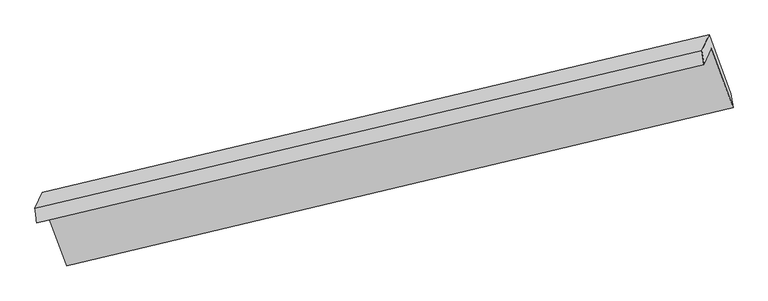
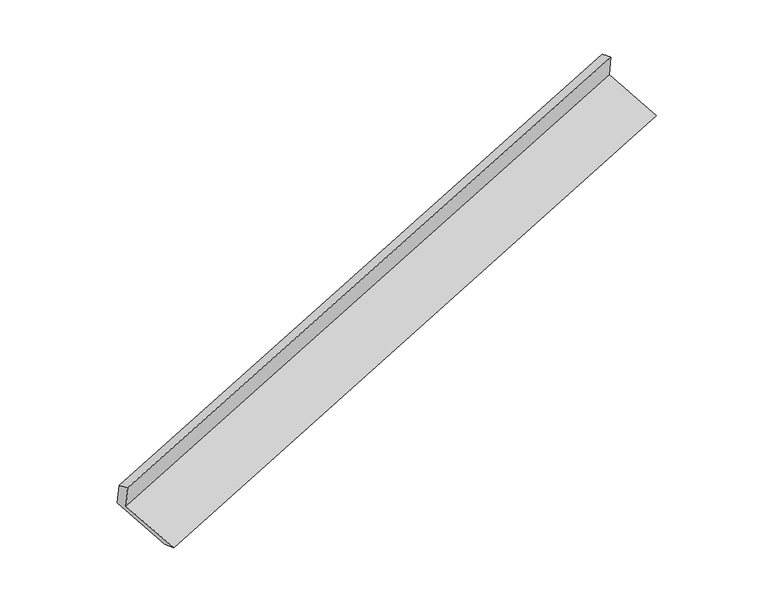
"""IFC4 building model written with IfcOpenShell, lengths in millimetres: proxy geometry."""

from ifc_helpers import new_model, si_unit, frame, origin, place, context, project, spatial, source, transform, mapped, element, save
from ifc_brep_helpers import plane_surface, spline_surface, advanced_brep


def generic_models_e810a2a3(model_context):
    return source(origin(), model_context, "Body", "AdvancedBrep", [
        advanced_brep(
        [(-6273.1048006, -2271.6076779, 1201.8904442), (-6196.7223142, -2102.8249453, 842.5327626), (401.1632155, -541.8679259, 2966.8298495), (328.5592189, -702.3013122, 3308.4108207), (-6291.0512888, -2128.2567671, 1151.1544787), (307.7788634, -565.2124111, 3271.007388), (-6219.0259931, -1969.1021388, 812.2961289), (378.8595366, -408.1451194, 2936.5932158), (-6001.1096766, -2561.5936271, 580.3340849), (593.5357621, -991.8271417, 2708.0801019), (-5977.879562, -2697.8353145, 609.5845698), (616.7658766, -1128.0688292, 2737.3305868)],
        [
            (0, 1),
            (1, 2),
            (2, 3),
            (3, 0),
            (4, 0),
            (3, 5),
            (5, 4),
            (6, 4),
            (5, 7),
            (7, 6),
            (8, 6),
            (7, 9),
            (9, 8),
            (10, 8),
            (9, 11),
            (11, 10),
            (1, 10),
            (11, 2),
        ],
        [
            plane_surface(frame((-6234.9135574, -2187.2163116, 1022.2116034), z_axis=(0.3200920885347228, -0.8818796250925951, -0.3461638076171787), x_axis=(0.1889244900929436, 0.41746731749288446, -0.8888355167681007))),
            spline_surface(1, 1, [[(-6291.0512888, -2128.2567671, 1151.1544787), (307.7788634, -565.2124111, 3271.007388)], [(-6273.1048006, -2271.6076779, 1201.8904442), (328.5592189, -702.3013122, 3308.4108207)]], [2, 2], [2, 2], [0.0, 1.0], [0.0, 1.0]),
            plane_surface(frame((-6255.038641, -2048.6794529, 981.7253038), z_axis=(-0.32009208853472315, 0.8818796250925952, 0.34616380761717874), x_axis=(-0.1889244900929436, -0.4174673174928845, 0.8888355167681007))),
            plane_surface(frame((-6110.0678348, -2265.3478829, 696.3151069), z_axis=(0.18761958269164986, 0.41715327499871113, -0.8892592632907803), x_axis=(-0.32400910664081006, 0.8809465985238052, 0.34489301147335805))),
            plane_surface(frame((-5989.4946193, -2629.7144708, 594.9593273), z_axis=(0.3345611139627422, -0.14293772406330904, -0.9314707016667838), x_axis=(-0.16443847261410247, 0.9644108709468122, -0.20705472881330733))),
            plane_surface(frame((-6087.3009381, -2400.3301299, 726.0586662), z_axis=(-0.18761958269164875, -0.41715327499871246, 0.8892592632907796), x_axis=(0.32400910664080823, -0.8809465985238049, -0.3448930114733603))),
            plane_surface(frame((437.7770789, -722.9037899, 2988.0419938), z_axis=(0.9269981854658323, 0.22283206540943112, 0.301695599517828), x_axis=(-0.32400910664081006, 0.8809465985238052, 0.34489301147335805))),
            plane_surface(frame((-6159.8156059, -2288.5367451, 866.2987448), z_axis=(-0.9269981854658274, -0.22283206540944564, -0.301695599517832), x_axis=(-0.1889244900929422, -0.4174673174928841, 0.8888355167681011))),
        ],
        [
            (0, [[1, 2, 3, 4]]),
            (1, [[5, -4, 6, 7]]),
            (2, [[8, -7, 9, 10]]),
            (3, [[11, -10, 12, 13]]),
            (4, [[14, -13, 15, 16]]),
            (5, [[17, -16, 18, -2]]),
            (6, [[-12, -9, -6, -3, -18, -15]]),
            (7, [[-1, -5, -8, -11, -14, -17]]),
        ],
    ),
    ])


if __name__ == "__main__":
    model = new_model("IFC4")
    model_context = context("Model", 3, world=origin())
    ifc_project = project(units=[si_unit("LENGTHUNIT", "METRE", prefix="MILLI")], contexts=[model_context])
    site = spatial("IfcSite", under=ifc_project)
    building = spatial("IfcBuilding", under=site)
    placement = place(None, origin())
    generic_models_shape = generic_models_e810a2a3(model_context)
    element("IfcBuildingElementProxy", 1, Name="Generic Models", at=placement, inside=building, context=model_context, shape_type="MappedRepresentation", body=[
        mapped(generic_models_shape, transform((0.0, 0.0, 0.0), x_axis=(1.0, 0.0, 0.0), y_axis=(0.0, 1.0, 0.0), z_axis=(0.0, 0.0, 1.0))),
    ])
    save(model, "model.ifc")
